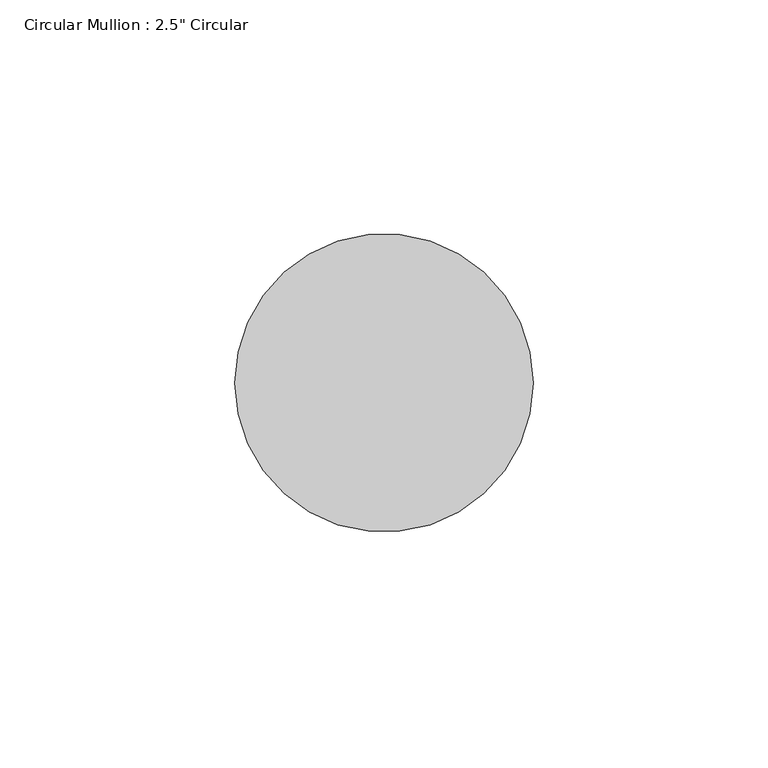
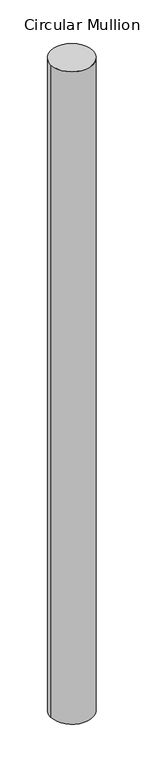
"""IFC4 building model written with IfcOpenShell, lengths in millimetres: member geometry."""

from ifc_helpers import new_model, si_unit, point, frame, origin, origin_2d, place, context, project, spatial, circle_curve, trimmed, segment, composite_curve, outline, extrude, source, transform, mapped, element, save


def member_2ef73f60(model_context):
    return source(origin(), model_context, "Body", "SweptSolid", [
        extrude(outline(composite_curve([segment(trimmed(circle_curve(origin_2d(), 31.75), [point((31.75, 0.0))], [point((-31.75, 0.0))], False, "CARTESIAN"), True, "CONTINUOUS"), segment(trimmed(circle_curve(origin_2d(), 31.75), [point((-31.75, 0.0))], [point((31.75, 0.0))], False, "CARTESIAN"), True, "CONTINUOUS")], self_intersect=False)), frame((0.0, 0.0, -1031.75), z_axis=(0.0, 0.0, 1.0), x_axis=(1.0, 0.0, 0.0)), (0.0, 0.0, 1.0), 1031.75),
    ])


if __name__ == "__main__":
    model = new_model("IFC4")
    model_context = context("Model", 3, world=origin())
    ifc_project = project(units=[si_unit("LENGTHUNIT", "METRE", prefix="MILLI")], contexts=[model_context])
    site = spatial("IfcSite", under=ifc_project)
    building = spatial("IfcBuilding", under=site)
    placement = place(None, origin())
    member_shape = member_2ef73f60(model_context)
    element("IfcMember", 1, ObjectType="Circular Mullion : 2.5\" Circular", at=placement, inside=building, context=model_context, shape_type="MappedRepresentation", body=[
        mapped(member_shape, transform((0.0, 0.0, 0.0), x_axis=(1.0, 0.0, 0.0), y_axis=(0.0, 1.0, 0.0), z_axis=(0.0, 0.0, 1.0))),
    ])
    save(model, "model.ifc")
